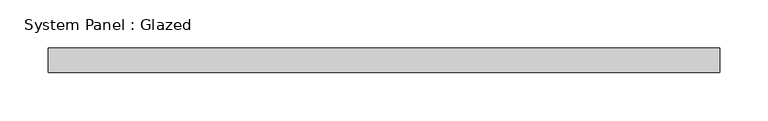
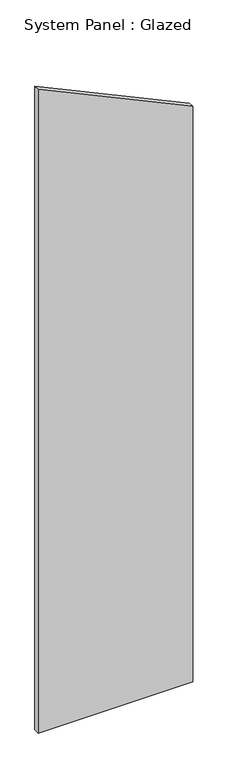
"""IFC4 building model written with IfcOpenShell, lengths in millimetres: plate geometry, System Panel : Glazed."""

from ifc_helpers import new_model, si_unit, frame, origin, place, context, project, spatial, polyline, outline, extrude, source, transform, mapped, element, save


def system_panel_glazed_c8bd009c(model_context):
    return source(origin(), model_context, "Body", "SweptSolid", [
        extrude(outline(polyline([(0.0, -348.1859392), (0.0, 348.1859392), (2743.2, 348.1859392), (3067.9235398, -348.1859392), (0.0, -348.1859392)])), frame((0.0, -44.45, 0.0), z_axis=(0.0, 1.0, 0.0), x_axis=(0.0, 0.0, 1.0)), (0.0, 0.0, 1.0), 25.4),
    ])


if __name__ == "__main__":
    model = new_model("IFC4")
    model_context = context("Model", 3, world=origin())
    ifc_project = project(units=[si_unit("LENGTHUNIT", "METRE", prefix="MILLI")], contexts=[model_context])
    site = spatial("IfcSite", under=ifc_project)
    building = spatial("IfcBuilding", under=site)
    placement = place(None, origin())
    system_panel_glazed_shape = system_panel_glazed_c8bd009c(model_context)
    element("IfcPlate", 1, ObjectType="System Panel : Glazed", at=placement, inside=building, context=model_context, shape_type="MappedRepresentation", body=[
        mapped(system_panel_glazed_shape, transform((0.0, 0.0, 0.0), x_axis=(1.0, 0.0, 0.0), y_axis=(0.0, 1.0, 0.0), z_axis=(0.0, 0.0, 1.0))),
    ])
    save(model, "model.ifc")
